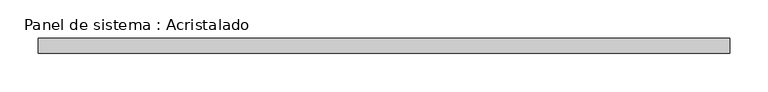
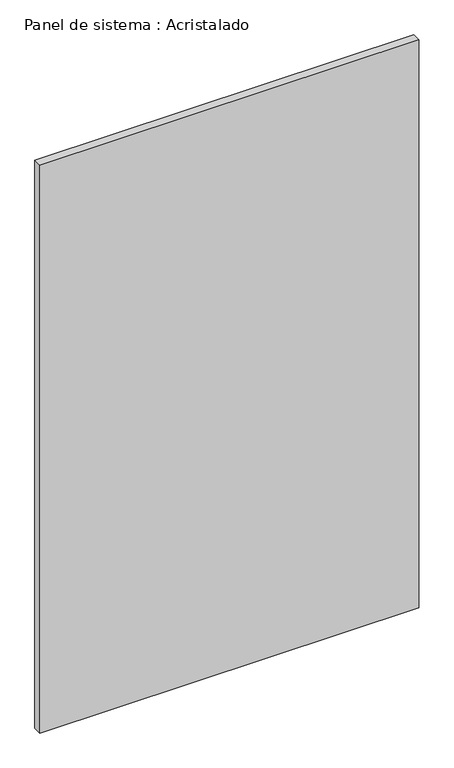
"""IFC4 building model written with IfcOpenShell, lengths in millimetres: plate geometry, Panel de sistema : Acristalado."""

from ifc_helpers import new_model, si_unit, origin, origin_with_axes, place, context, project, spatial, polyline, outline, extrude, source, transform, mapped, element, save


def panel_de_sistema_acristalado_f2b6ec6a(model_context):
    return source(origin(), model_context, "Body", "SweptSolid", [
        extrude(outline(polyline([(454.3923827, -10.0), (-454.3923827, -10.0), (-454.3923827, 10.0), (454.3923827, 10.0), (454.3923827, -10.0)])), origin_with_axes(), (0.0, 0.0, 1.0), 1439.2228533),
    ])


if __name__ == "__main__":
    model = new_model("IFC4")
    model_context = context("Model", 3, world=origin())
    ifc_project = project(units=[si_unit("LENGTHUNIT", "METRE", prefix="MILLI")], contexts=[model_context])
    site = spatial("IfcSite", under=ifc_project)
    building = spatial("IfcBuilding", under=site)
    placement = place(None, origin())
    panel_de_sistema_acristalado_shape = panel_de_sistema_acristalado_f2b6ec6a(model_context)
    element("IfcPlate", 1, ObjectType="Panel de sistema : Acristalado", at=placement, inside=building, context=model_context, shape_type="MappedRepresentation", body=[
        mapped(panel_de_sistema_acristalado_shape, transform((0.0, 0.0, 0.0), x_axis=(1.0, 0.0, 0.0), y_axis=(0.0, 1.0, 0.0), z_axis=(0.0, 0.0, 1.0))),
    ])
    save(model, "model.ifc")
